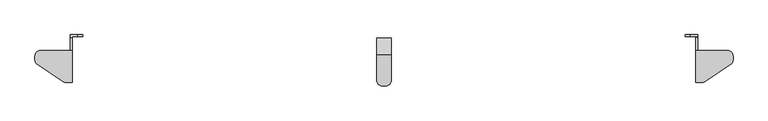
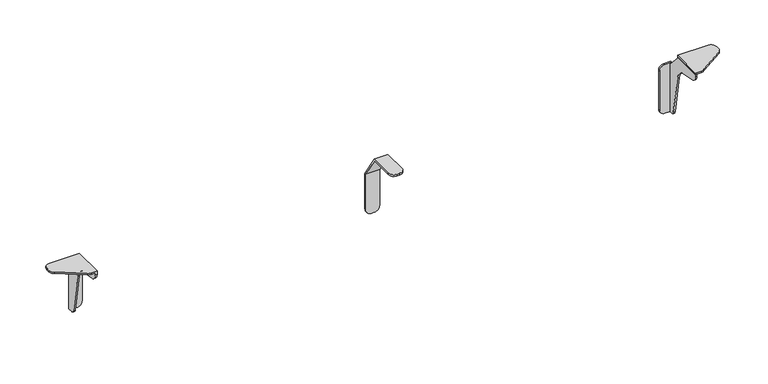
"""IFC4 building model written with IfcOpenShell, lengths in millimetres: furniture geometry."""

import ifcopenshell
import ifcopenshell.guid

model = None  # the IFC model being written
_history = None  # IfcOwnerHistory: only IFC2X3 demands one
_inside = {}  # id of a spatial element -> (the spatial element, [elements in it])
_under = {}  # id of a project, library or spatial element -> (it, [spatial elements below it])
_declared = {}  # id of a project -> (the project, [libraries it declares])
_typed = {}  # id of a type object -> (the type object, [elements of that type])
_made_of = {}  # id of a material, layer set ... -> (it, [elements and type objects made of it])


def new_model(schema):
    """Start an empty IFC model of exactly this schema.

    Asked for "IFC4X3", IfcOpenShell would pick the latest addendum, in which some entities
    have other attributes; the version numbers below select the first issue.
    IFC2X3 requires an IfcOwnerHistory on every rooted entity: one is made here for all.
    """
    global model, _history
    if schema == "IFC4X3":
        model = ifcopenshell.file(schema_version=(4, 3, 0, 0))
    else:
        model = ifcopenshell.file(schema=schema)
    _inside.clear()
    _under.clear()
    _declared.clear()
    _typed.clear()
    _made_of.clear()
    _history = None
    if model.schema == "IFC2X3":
        org = make("IfcOrganization", Name="unknown")
        user = make(
            "IfcPersonAndOrganization",
            ThePerson=make("IfcPerson", FamilyName="unknown"),
            TheOrganization=org,
        )
        app = make(
            "IfcApplication",
            ApplicationDeveloper=org,
            Version="unknown",
            ApplicationFullName="unknown",
            ApplicationIdentifier="unknown",
        )
        _history = make(
            "IfcOwnerHistory",
            OwningUser=user,
            OwningApplication=app,
            ChangeAction="ADDED",
            CreationDate=0,
        )
    return model


def make(cls, **values):
    """One entity of the class cls with the attributes given. An attribute that is None is left unset."""
    return model.create_entity(
        cls, **{name: value for name, value in values.items() if value is not None}
    )


def rooted(cls, **values):
    """An entity with a GlobalId (a new one), such as an element, a storey or a relation."""
    return make(cls, GlobalId=ifcopenshell.guid.new(), OwnerHistory=_history, **values)


def si_unit(unit_type, name, prefix=None):
    """IfcSIUnit, for example si_unit("LENGTHUNIT", "METRE", prefix="MILLI")."""
    return make("IfcSIUnit", UnitType=unit_type, Prefix=prefix, Name=name)


def assignment(units):
    """IfcUnitAssignment: the units of a project."""
    return None if units is None else make("IfcUnitAssignment", Units=units)


def point(xyz):
    """IfcCartesianPoint."""
    return None if xyz is None else make("IfcCartesianPoint", Coordinates=xyz)


def direction(xyz):
    """IfcDirection."""
    return None if xyz is None else make("IfcDirection", DirectionRatios=xyz)


def frame(location, z_axis=None, x_axis=None):
    """IfcAxis2Placement3D, a coordinate frame: its origin and axes. An axis left out is left unset."""
    return make(
        "IfcAxis2Placement3D",
        Location=point(location),
        Axis=direction(z_axis),
        RefDirection=direction(x_axis),
    )


def frame_2d(location, x_axis=None):
    """IfcAxis2Placement2D, a coordinate frame in the plane: its origin and x axis."""
    return make(
        "IfcAxis2Placement2D", Location=point(location), RefDirection=direction(x_axis)
    )


def origin():
    """The frame at (0, 0, 0) with its axes left unset."""
    return frame((0.0, 0.0, 0.0))


def place(relative_to, where):
    """IfcLocalPlacement: puts the frame where relative to a parent placement (None: the world)."""
    return make(
        "IfcLocalPlacement", PlacementRelTo=relative_to, RelativePlacement=where
    )


def context(
    kind, dimensions, precision=None, world=None, true_north=None, identifier=None
):
    """IfcGeometricRepresentationContext, for example the 3D "Model" context."""
    return make(
        "IfcGeometricRepresentationContext",
        ContextIdentifier=identifier,
        ContextType=kind,
        CoordinateSpaceDimension=dimensions,
        Precision=precision,
        WorldCoordinateSystem=world,
        TrueNorth=true_north,
    )


def project(units=None, contexts=None):
    """IfcProject with its units and contexts."""
    return rooted(
        "IfcProject",
        Name="project",
        RepresentationContexts=contexts,
        UnitsInContext=assignment(units),
    )


def spatial(cls, under=None, at=None, **own):
    """A site, building, storey or space (cls), placed at a placement, below another one or the project."""
    s = rooted(cls, ObjectPlacement=at, **own)
    if under is not None:
        _under.setdefault(under.id(), (under, []))[1].append(s)
    return s


def polyline(points):
    """IfcPolyline through the points."""
    return make("IfcPolyline", Points=[point(p) for p in points])


def circle_curve(where, radius):
    """IfcCircle in the frame where."""
    return make("IfcCircle", Position=where, Radius=radius)


def trimmed(basis, trim1, trim2, sense, master):
    """IfcTrimmedCurve: the piece of a basis curve between two trims."""
    return make(
        "IfcTrimmedCurve",
        BasisCurve=basis,
        Trim1=trim1,
        Trim2=trim2,
        SenseAgreement=sense,
        MasterRepresentation=master,
    )


def segment(curve, same_sense, transition):
    """IfcCompositeCurveSegment."""
    return make(
        "IfcCompositeCurveSegment",
        Transition=transition,
        SameSense=same_sense,
        ParentCurve=curve,
    )


def composite_curve(segments, self_intersect=None):
    """IfcCompositeCurve: segments joined end to end."""
    return make("IfcCompositeCurve", Segments=segments, SelfIntersect=self_intersect)


def outline(outer, holes=None, kind="AREA"):
    """IfcArbitraryClosedProfileDef: a profile drawn as a closed curve; with holes, ...WithVoids."""
    if holes is None:
        return make("IfcArbitraryClosedProfileDef", ProfileType=kind, OuterCurve=outer)
    return make(
        "IfcArbitraryProfileDefWithVoids",
        ProfileType=kind,
        OuterCurve=outer,
        InnerCurves=holes,
    )


def extrude(swept, where, along, depth):
    """IfcExtrudedAreaSolid: the profile swept, set in the frame where, extruded along a direction by depth."""
    return make(
        "IfcExtrudedAreaSolid",
        SweptArea=swept,
        Position=where,
        ExtrudedDirection=direction(along),
        Depth=depth,
    )


def shape(context_of_items, identifier, shape_type, items):
    """IfcShapeRepresentation: the items that make up one representation, for example the "Body"."""
    return make(
        "IfcShapeRepresentation",
        ContextOfItems=context_of_items,
        RepresentationIdentifier=identifier,
        RepresentationType=shape_type,
        Items=items,
    )


def source(mapping_origin, context_of_items, identifier, shape_type, items):
    """IfcRepresentationMap: a shape defined once, which mapped items show again and again."""
    return make(
        "IfcRepresentationMap",
        MappingOrigin=mapping_origin,
        MappedRepresentation=shape(context_of_items, identifier, shape_type, items),
    )


def transform(
    local_origin,
    x_axis=None,
    y_axis=None,
    z_axis=None,
    scale=None,
    scale2=None,
    scale3=None,
    uniform=True,
):
    """IfcCartesianTransformationOperator3D, or its non-uniform kind. x_axis, y_axis, z_axis: its Axis1, 2, 3."""
    if uniform:
        return make(
            "IfcCartesianTransformationOperator3D",
            Axis1=direction(x_axis),
            Axis2=direction(y_axis),
            LocalOrigin=point(local_origin),
            Scale=scale,
            Axis3=direction(z_axis),
        )
    return make(
        "IfcCartesianTransformationOperator3DnonUniform",
        Axis1=direction(x_axis),
        Axis2=direction(y_axis),
        LocalOrigin=point(local_origin),
        Scale=scale,
        Axis3=direction(z_axis),
        Scale2=scale2,
        Scale3=scale3,
    )


def mapped(mapping_source, mapping_target):
    """IfcMappedItem: shows the shape of a source again, moved by a transform."""
    return make(
        "IfcMappedItem", MappingSource=mapping_source, MappingTarget=mapping_target
    )


def made_of(thing, what):
    """Note that an element or type object is made of a material, layer set ...; save() writes the relation."""
    if what is not None:
        _made_of.setdefault(what.id(), (what, []))[1].append(thing)
    return thing


def element(
    cls,
    number,
    at=None,
    inside=None,
    cuts=None,
    type_object=None,
    material=None,
    context=None,
    identifier="Body",
    shape_type=None,
    held_by="IfcProductDefinitionShape",
    body=None,
    shapes=None,
    **own,
):
    """One element of the class cls, such as IfcWall. Its Tag is "e" and its number.

    at: its placement. inside: the storey or other place that contains it. cuts: it is an
    opening in that element (IfcRelVoidsElement). A single representation is given by context,
    identifier, shape_type and body (its items); several are given by shapes. held_by: the class
    of the entity that holds the representations. save() writes the other relations.
    """
    e = rooted(cls, Tag="e%d" % number, ObjectPlacement=at, **own)
    if body is not None:
        shapes = [shape(context, identifier, shape_type, body)]
    if shapes is not None:
        e.Representation = make(held_by, Representations=shapes)
    if inside is not None:
        _inside.setdefault(inside.id(), (inside, []))[1].append(e)
    if cuts is not None:
        rooted(
            "IfcRelVoidsElement", RelatingBuildingElement=cuts, RelatedOpeningElement=e
        )
    if type_object is not None:
        _typed.setdefault(type_object.id(), (type_object, []))[1].append(e)
    return made_of(e, material)


def aggregate(whole, parts):
    """IfcRelAggregates: a whole, such as a stair, and the parts it consists of."""
    return rooted("IfcRelAggregates", RelatingObject=whole, RelatedObjects=parts)


def save(model, path):
    """Write the relations noted so far, then the file.

    IfcRelAggregates (storeys below a building ...), IfcRelContainedInSpatialStructure (elements
    in a storey), IfcRelDefinesByType, IfcRelAssociatesMaterial and IfcRelDeclares: one each for
    every whole, place, type object, material and project.
    """
    for whole, parts in _under.values():
        aggregate(whole, parts)
    for where, things in _inside.values():
        rooted(
            "IfcRelContainedInSpatialStructure",
            RelatedElements=things,
            RelatingStructure=where,
        )
    for kind, things in _typed.values():
        rooted("IfcRelDefinesByType", RelatedObjects=things, RelatingType=kind)
    for what, things in _made_of.values():
        rooted("IfcRelAssociatesMaterial", RelatedObjects=things, RelatingMaterial=what)
    for by, libraries in _declared.values():
        rooted("IfcRelDeclares", RelatingContext=by, RelatedDefinitions=libraries)
    model.write(path)


def plane_surface(at):
    """IfcPlane: the flat surface through the origin of the frame at, square to its z axis."""
    return make("IfcPlane", Position=at)


def cylinder_surface(at, radius):
    """IfcCylindricalSurface: all points at the distance radius from the z axis of the frame at."""
    return make("IfcCylindricalSurface", Position=at, Radius=radius)


def revolved_surface(curve, axis_point, axis_direction):
    """IfcSurfaceOfRevolution: the curve turned about the line through axis_point along axis_direction."""
    return make(
        "IfcSurfaceOfRevolution",
        SweptCurve=make("IfcArbitraryOpenProfileDef", ProfileType="CURVE", Curve=curve),
        AxisPosition=make("IfcAxis1Placement", Location=point(axis_point), Axis=direction(axis_direction)),
    )


def advanced_brep(points, edges, surfaces, faces):
    """IfcAdvancedBrep: a solid bounded by faces that lie on surfaces and meet in shared edges.

    An edge is (start, end): straight between two places in points (the first is 0);
    or (start, end, curve); or (start, end, curve, False) where it runs against its curve.
    A face is (place in surfaces, loops), or (place, loops, False) where it looks against
    its surface's normal. A loop lists edges by number (the first is 1), with a minus sign
    where the edge is run from its end to its start. The first loop is the outer one.
    """
    corners = [point(p) for p in points]
    vertices = [make("IfcVertexPoint", VertexGeometry=c) for c in corners]
    made = []
    for start, end, *more in edges:
        made.append(
            make(
                "IfcEdgeCurve",
                EdgeStart=vertices[start],
                EdgeEnd=vertices[end],
                EdgeGeometry=more[0] if more else make("IfcPolyline", Points=[corners[start], corners[end]]),
                SameSense=more[1] if len(more) > 1 else True,
            )
        )
    hull = []
    for where, loops, *sense in faces:
        bounds = []
        for j, loop in enumerate(loops):
            ring = [make("IfcOrientedEdge", EdgeElement=made[abs(k) - 1], Orientation=k > 0) for k in loop]
            bounds.append(
                make(
                    "IfcFaceOuterBound" if j == 0 else "IfcFaceBound",
                    Bound=make("IfcEdgeLoop", EdgeList=ring),
                    Orientation=True,
                )
            )
        hull.append(make("IfcAdvancedFace", Bounds=bounds, FaceSurface=surfaces[where], SameSense=sense[0] if sense else True))
    return make("IfcAdvancedBrep", Outer=make("IfcClosedShell", CfsFaces=hull))


def furniture_7014662f(model_context):
    return source(origin(), model_context, "Body", "SolidModel", [
        advanced_brep(
        [(206.8829935, -4.3180001, 711.1999758), (150.402651, -4.3180001, 711.1999758), (140.5889931, -14.1316581, 711.1999758), (140.5889931, -20.7803664, 711.1999758), (145.2146694, -29.3891686, 711.1999758), (190.0644164, -59.0745687, 711.1999758), (196.3290217, -60.9600009, 711.1999758), (206.8829935, -60.9600009, 711.1999758), (196.3290217, -60.9600009, 708.1519787), (190.0644164, -59.0745687, 708.1519787), (145.2146694, -29.3891686, 708.1519787), (140.5889931, -20.7803664, 708.1519787), (140.5889931, -14.1316581, 708.1519787), (150.402651, -4.3180001, 708.1519787), (203.8349964, -4.3180001, 708.1519787), (203.8349964, -60.9600009, 708.1519787), (206.8829935, -4.3180001, 706.1199806), (203.8349964, -4.3180001, 706.1199806), (203.8349964, -60.9600009, 703.8265101), (206.8829935, -60.9600009, 703.8265101), (206.8829935, -50.2113329, 691.0167374), (206.8829935, -23.9076971, 686.378678), (206.8829935, -3.731792, 666.2027591), (206.8829935, 9.5046172, 591.1353553), (206.8829935, 15.6509087, 585.9780044), (206.8829935, 20.8280006, 585.9780044), (206.8829935, 20.8280006, 681.227968), (206.8829935, 18.7960002, 681.227968), (203.8349964, 18.7960002, 681.227968), (203.8349964, 24.0041421, 681.227968), (203.8349964, 24.0041421, 585.9780044), (203.8349964, 15.6509087, 585.9780044), (203.8349964, 9.5046172, 591.1353553), (203.8349964, -3.731792, 666.2027591), (203.8349964, -23.9076971, 686.378678), (203.8349964, -50.2113329, 691.0167374), (216.6619932, 24.0041421, 681.227968), (226.1869932, 24.0041421, 671.702968), (226.1869932, 24.0041421, 595.5030044), (216.6619932, 24.0041421, 585.9780044), (216.6619932, 20.8280006, 585.9780044), (226.1869932, 20.8280006, 595.5030044), (226.1869932, 20.8280006, 671.702968), (216.6619932, 20.8280006, 681.227968)],
        [
            (0, 1),
            (1, 2, circle_curve(frame((150.402651, -14.1316581, 711.1999758), z_axis=(0.0, 0.0, 1.0), x_axis=(-1.0, 0.0, 0.0)), 9.8136579)),
            (2, 3),
            (3, 4, circle_curve(frame((150.9127113, -20.7803664, 711.1999758), z_axis=(0.0, 0.0, 1.0), x_axis=(-1.0, 0.0, 0.0)), 10.3237182)),
            (4, 5),
            (5, 6, circle_curve(frame((196.3290217, -49.6097826, 711.1999758), z_axis=(0.0, 0.0, 1.0), x_axis=(-1.0, 0.0, 0.0)), 11.3502183)),
            (6, 7),
            (7, 0),
            (8, 9, circle_curve(frame((196.3290217, -49.6097826, 708.1519787), z_axis=(0.0, 0.0, -1.0), x_axis=(-1.0, 0.0, 0.0)), 11.3502183)),
            (9, 10),
            (10, 11, circle_curve(frame((150.9127113, -20.7803664, 708.1519787), z_axis=(0.0, 0.0, -1.0), x_axis=(-1.0, 0.0, 0.0)), 10.3237182)),
            (11, 12),
            (12, 13, circle_curve(frame((150.402651, -14.1316581, 708.1519787), z_axis=(0.0, 0.0, -1.0), x_axis=(-1.0, 0.0, 0.0)), 9.8136579)),
            (13, 14),
            (14, 15),
            (15, 8),
            (0, 16),
            (16, 17),
            (17, 14),
            (13, 1),
            (12, 2),
            (11, 3),
            (10, 4),
            (9, 5),
            (8, 6),
            (15, 18),
            (18, 19),
            (19, 7),
            (19, 20, circle_curve(frame((206.8829935, -47.9526152, 703.8265101), z_axis=(1.0, 0.0, 0.0), x_axis=(0.0, 1.0, 0.0)), 13.0073857)),
            (20, 21),
            (21, 22, circle_curve(frame((206.8829935, -28.2268544, 661.8836185), z_axis=(-1.0, 0.0, 0.0), x_axis=(0.0, 1.0, 0.0)), 24.8729383)),
            (22, 23),
            (23, 24, circle_curve(frame((206.8829935, 15.6509087, 592.2191124), z_axis=(1.0, 0.0, 0.0), x_axis=(0.0, 1.0, 0.0)), 6.241108)),
            (24, 25),
            (25, 26),
            (26, 27),
            (27, 16),
            (17, 28),
            (28, 29),
            (29, 30),
            (30, 31),
            (31, 32, circle_curve(frame((203.8349964, 15.6509087, 592.2191124), z_axis=(-1.0, 0.0, 0.0), x_axis=(0.0, 1.0, 0.0)), 6.241108)),
            (32, 33),
            (33, 34, circle_curve(frame((203.8349964, -28.2268544, 661.8836185), z_axis=(1.0, 0.0, 0.0), x_axis=(0.0, 1.0, 0.0)), 24.8729383)),
            (34, 35),
            (35, 18, circle_curve(frame((203.8349964, -47.9526152, 703.8265101), z_axis=(-1.0, 0.0, 0.0), x_axis=(0.0, 1.0, 0.0)), 13.0073857)),
            (29, 36),
            (36, 37, circle_curve(frame((216.6619932, 24.0041421, 671.702968), z_axis=(0.0, 1.0, 0.0), x_axis=(1.0, 0.0, 0.0)), 9.525)),
            (37, 38),
            (38, 39, circle_curve(frame((216.6619932, 24.0041421, 595.5030044), z_axis=(0.0, 1.0, 0.0), x_axis=(1.0, 0.0, 0.0)), 9.525)),
            (39, 30),
            (40, 41, circle_curve(frame((216.6619932, 20.8280006, 595.5030044), z_axis=(0.0, -1.0, 0.0), x_axis=(1.0, 0.0, 0.0)), 9.525)),
            (41, 42),
            (42, 43, circle_curve(frame((216.6619932, 20.8280006, 671.702968), z_axis=(0.0, -1.0, 0.0), x_axis=(1.0, 0.0, 0.0)), 9.525)),
            (43, 26),
            (25, 40),
            (40, 39),
            (38, 41),
            (37, 42),
            (36, 43),
            (35, 20),
            (34, 21),
            (33, 22),
            (32, 23),
            (31, 24),
            (28, 27),
        ],
        [
            plane_surface(frame((150.402651, -4.3180001, 711.1999758), z_axis=(0.0, 0.0, 1.0), x_axis=(-1.0, 0.0, 0.0))),
            plane_surface(frame((150.402651, -4.3180001, 708.1519787), z_axis=(0.0, 0.0, -1.0), x_axis=(1.0, 0.0, 0.0))),
            plane_surface(frame((206.8829935, -4.3180001, 711.1999758), z_axis=(0.0, 1.0, 0.0), x_axis=(0.0, 0.0, -1.0))),
            cylinder_surface(frame((150.402651, -14.1316581, 708.1519787), z_axis=(0.0, 0.0, 1.0), x_axis=(-1.0, 0.0, 0.0)), 9.8136579),
            plane_surface(frame((140.5889931, -14.1316581, 711.1999758), z_axis=(-1.0, 0.0, 0.0), x_axis=(0.0, 0.0, -1.0))),
            cylinder_surface(frame((150.9127113, -20.7803664, 708.1519787), z_axis=(0.0, 0.0, 1.0), x_axis=(-1.0, 0.0, 0.0)), 10.3237182),
            plane_surface(frame((145.2146694, -29.3891686, 711.1999758), z_axis=(-0.5519369866119054, -0.8338858212068182, 0.0), x_axis=(0.0, 0.0, -1.0))),
            cylinder_surface(frame((196.3290217, -49.6097826, 708.1519787), z_axis=(0.0, 0.0, 1.0), x_axis=(-1.0, 0.0, 0.0)), 11.3502183),
            plane_surface(frame((196.3290217, -60.9600009, 711.1999758), z_axis=(0.0, -1.0, 0.0), x_axis=(0.0, 0.0, -1.0))),
            plane_surface(frame((206.8829935, -60.9600009, 711.1999758), z_axis=(1.0, 0.0, 0.0), x_axis=(0.0, 0.0, -1.0))),
            plane_surface(frame((203.8349964, -60.9600009, 708.1519787), z_axis=(-1.0, 0.0, 0.0), x_axis=(0.0, 1.0, 0.0))),
            plane_surface(frame((206.8829935, 24.0041421, 585.9780044), z_axis=(0.0, 1.0, 0.0), x_axis=(-1.0, 0.0, 0.0))),
            plane_surface(frame((216.6619932, 20.8280006, 585.9780044), z_axis=(0.0, -1.0, 0.0), x_axis=(1.0, 0.0, 0.0))),
            cylinder_surface(frame((216.6619932, 24.0041421, 595.5030044), z_axis=(0.0, -1.0, 0.0), x_axis=(1.0, 0.0, 0.0)), 9.525),
            plane_surface(frame((226.1869932, 20.8280006, 595.5030044), z_axis=(1.0, 0.0, 0.0), x_axis=(0.0, 1.0, 0.0))),
            cylinder_surface(frame((216.6619932, 24.0041421, 671.702968), z_axis=(0.0, -1.0, 0.0), x_axis=(1.0, 0.0, 0.0)), 9.525),
            cylinder_surface(frame((203.8349964, -47.9526152, 703.8265101), z_axis=(1.0, 0.0, 0.0), x_axis=(0.0, 1.0, 0.0)), 13.0073857),
            plane_surface(frame((206.8829935, -50.2113329, 691.0167374), z_axis=(0.0, -0.17364885742427638, -0.9848076331524057), x_axis=(-1.0, 0.0, 0.0))),
            revolved_surface(polyline([(203.8349964, -3.3539160999999993, 661.8836185), (206.8829935, -3.3539160999999993, 661.8836185)]), (203.8349964, -28.2268544, 661.8836185), (-1.0, 0.0, 0.0)),
            plane_surface(frame((206.8829935, -3.731792, 666.2027591), z_axis=(0.0, -0.9848077519646093, -0.17364818360815795), x_axis=(-1.0, 0.0, 0.0))),
            cylinder_surface(frame((203.8349964, 15.6509087, 592.2191124), z_axis=(1.0, 0.0, 0.0), x_axis=(0.0, 1.0, 0.0)), 6.241108),
            plane_surface(frame((206.8829935, 15.6509087, 585.9780044), z_axis=(0.0, 0.0, -1.0), x_axis=(-1.0, 0.0, 0.0))),
            plane_surface(frame((206.8829935, 24.0041421, 681.227968), z_axis=(0.0, 0.0, 1.0), x_axis=(-1.0, 0.0, 0.0))),
            plane_surface(frame((206.8829935, 18.7960002, 681.227968), z_axis=(0.0, 0.7327936577078579, 0.6804509205101709), x_axis=(-1.0, 0.0, 0.0))),
        ],
        [
            (0, [[1, 2, 3, 4, 5, 6, 7, 8]]),
            (1, [[9, 10, 11, 12, 13, 14, 15, 16]]),
            (2, [[-1, 17, 18, 19, -14, 20]]),
            (3, [[-2, -20, -13, 21]]),
            (4, [[-3, -21, -12, 22]]),
            (5, [[-4, -22, -11, 23]]),
            (6, [[-5, -23, -10, 24]]),
            (7, [[-6, -24, -9, 25]]),
            (8, [[-7, -25, -16, 26, 27, 28]]),
            (9, [[-8, -28, 29, 30, 31, 32, 33, 34, 35, 36, 37, -17]]),
            (10, [[-19, 38, 39, 40, 41, 42, 43, 44, 45, 46, -26, -15]]),
            (11, [[-40, 47, 48, 49, 50, 51]]),
            (12, [[52, 53, 54, 55, -35, 56]]),
            (13, [[-52, 57, -50, 58]]),
            (14, [[-53, -58, -49, 59]]),
            (15, [[-54, -59, -48, 60]]),
            (16, [[-46, 61, -29, -27]]),
            (17, [[-45, 62, -30, -61]]),
            (18, [[-44, 63, -31, -62]]),
            (19, [[-43, 64, -32, -63]]),
            (20, [[-42, 65, -33, -64]]),
            (21, [[-51, -57, -56, -34, -65, -41]]),
            (22, [[-47, -39, 66, -36, -55, -60]]),
            (23, [[-38, -18, -37, -66]]),
        ],
    ),
        advanced_brep(
        [(1317.1169884, -4.3180001, 711.1999758), (1317.1169884, -60.9600009, 711.1999758), (1327.6709601, -60.9600009, 711.1999758), (1333.9355654, -59.0745687, 711.1999758), (1378.7853125, -29.3891686, 711.1999758), (1383.4109887, -20.7803664, 711.1999758), (1383.4109887, -14.1316581, 711.1999758), (1373.5973308, -4.3180001, 711.1999758), (1317.1169884, -4.3180001, 708.1519787), (1373.5973308, -4.3180001, 708.1519787), (1383.4109887, -14.1316581, 708.1519787), (1383.4109887, -20.7803664, 708.1519787), (1378.7853125, -29.3891686, 708.1519787), (1333.9355654, -59.0745687, 708.1519787), (1327.6709601, -60.9600009, 708.1519787), (1317.1169884, -60.9600009, 708.1519787)],
        [
            (0, 1),
            (1, 2),
            (2, 3, circle_curve(frame((1327.6709601, -49.6097826, 711.1999758), z_axis=(0.0, 0.0, 1.0), x_axis=(-1.0, 0.0, 0.0)), 11.3502183)),
            (3, 4),
            (4, 5, circle_curve(frame((1373.0872706, -20.7803664, 711.1999758), z_axis=(0.0, 0.0, 1.0), x_axis=(-1.0, 0.0, 0.0)), 10.3237182)),
            (5, 6),
            (6, 7, circle_curve(frame((1373.5973308, -14.1316581, 711.1999758), z_axis=(0.0, 0.0, 1.0), x_axis=(-1.0, 0.0, 0.0)), 9.8136579)),
            (7, 0),
            (8, 9),
            (9, 10, circle_curve(frame((1373.5973308, -14.1316581, 708.1519787), z_axis=(0.0, 0.0, -1.0), x_axis=(-1.0, 0.0, 0.0)), 9.8136579)),
            (10, 11),
            (11, 12, circle_curve(frame((1373.0872706, -20.7803664, 708.1519787), z_axis=(0.0, 0.0, -1.0), x_axis=(-1.0, 0.0, 0.0)), 10.3237182)),
            (12, 13),
            (13, 14, circle_curve(frame((1327.6709601, -49.6097826, 708.1519787), z_axis=(0.0, 0.0, -1.0), x_axis=(-1.0, 0.0, 0.0)), 11.3502183)),
            (14, 15),
            (15, 8),
            (0, 8),
            (15, 1),
            (14, 2),
            (13, 3),
            (12, 4),
            (11, 5),
            (10, 6),
            (9, 7),
        ],
        [
            plane_surface(frame((150.402651, -4.3180001, 711.1999758), z_axis=(0.0, 0.0, 1.0), x_axis=(-1.0, 0.0, 0.0))),
            plane_surface(frame((150.402651, -4.3180001, 708.1519787), z_axis=(0.0, 0.0, -1.0), x_axis=(1.0, 0.0, 0.0))),
            plane_surface(frame((1317.1169884, -4.3180001, 711.1999758), z_axis=(-1.0, 0.0, 0.0), x_axis=(0.0, 0.0, -1.0))),
            plane_surface(frame((1317.1169884, -60.9600009, 711.1999758), z_axis=(0.0, -1.0, 0.0), x_axis=(0.0, 0.0, -1.0))),
            cylinder_surface(frame((1327.6709601, -49.6097826, 629.5388266), z_axis=(0.0, 0.0, 1.0), x_axis=(-1.0, 0.0, 0.0)), 11.3502183),
            plane_surface(frame((1333.9355654, -59.0745687, 711.1999758), z_axis=(0.5519369866119054, -0.8338858212068181, 0.0), x_axis=(0.0, 0.0, -1.0))),
            cylinder_surface(frame((1373.0872706, -20.7803664, 629.5388266), z_axis=(0.0, 0.0, 1.0), x_axis=(-1.0, 0.0, 0.0)), 10.3237182),
            plane_surface(frame((1383.4109887, -20.7803664, 711.1999758), z_axis=(1.0, 0.0, 0.0), x_axis=(0.0, 0.0, -1.0))),
            cylinder_surface(frame((1373.5973308, -14.1316581, 629.5388266), z_axis=(0.0, 0.0, 1.0), x_axis=(-1.0, 0.0, 0.0)), 9.8136579),
            plane_surface(frame((1373.5973308, -4.3180001, 711.1999758), z_axis=(0.0, 1.0, 0.0), x_axis=(0.0, 0.0, -1.0))),
        ],
        [
            (0, [[1, 2, 3, 4, 5, 6, 7, 8]]),
            (1, [[9, 10, 11, 12, 13, 14, 15, 16]]),
            (2, [[-1, 17, -16, 18]]),
            (3, [[-2, -18, -15, 19]]),
            (4, [[-3, -19, -14, 20]]),
            (5, [[-4, -20, -13, 21]]),
            (6, [[-5, -21, -12, 22]]),
            (7, [[-6, -22, -11, 23]]),
            (8, [[-7, -23, -10, 24]]),
            (9, [[-8, -24, -9, -17]]),
        ],
    ),
        advanced_brep(
        [(1320.1655941, 24.0041421, 585.9780044), (1307.3385972, 24.0041421, 585.9780044), (1297.8135972, 24.0041421, 595.5030044), (1297.8135972, 24.0041421, 671.702968), (1307.3385972, 24.0041421, 681.227968), (1320.1655941, 24.0041421, 681.227968), (1320.1655941, 20.8280006, 585.9780044), (1320.1655941, 20.8280006, 681.227968), (1307.3385972, 20.8280006, 681.227968), (1297.8135972, 20.8280006, 671.702968), (1297.8135972, 20.8280006, 595.5030044), (1307.3385972, 20.8280006, 585.9780044)],
        [
            (0, 1),
            (1, 2, circle_curve(frame((1307.3385972, 24.0041421, 595.5030044), z_axis=(0.0, 1.0, 0.0), x_axis=(1.0, 0.0, 0.0)), 9.525)),
            (2, 3),
            (3, 4, circle_curve(frame((1307.3385972, 24.0041421, 671.702968), z_axis=(0.0, 1.0, 0.0), x_axis=(1.0, 0.0, 0.0)), 9.525)),
            (4, 5),
            (5, 0),
            (6, 7),
            (7, 8),
            (8, 9, circle_curve(frame((1307.3385972, 20.8280006, 671.702968), z_axis=(0.0, -1.0, 0.0), x_axis=(1.0, 0.0, 0.0)), 9.525)),
            (9, 10),
            (10, 11, circle_curve(frame((1307.3385972, 20.8280006, 595.5030044), z_axis=(0.0, -1.0, 0.0), x_axis=(1.0, 0.0, 0.0)), 9.525)),
            (11, 6),
            (6, 0),
            (5, 7),
            (4, 8),
            (3, 9),
            (2, 10),
            (1, 11),
        ],
        [
            plane_surface(frame((206.8829935, 24.0041421, 585.9780044), z_axis=(0.0, 1.0, 0.0), x_axis=(-1.0, 0.0, 0.0))),
            plane_surface(frame((216.6619932, 20.8280006, 585.9780044), z_axis=(0.0, -1.0, 0.0), x_axis=(1.0, 0.0, 0.0))),
            plane_surface(frame((1320.1655941, 20.8280006, 585.9780044), z_axis=(1.0, 0.0, 0.0), x_axis=(0.0, 1.0, 0.0))),
            plane_surface(frame((1320.1655941, 20.8280006, 681.227968), z_axis=(0.0, 0.0, 1.0), x_axis=(0.0, 1.0, 0.0))),
            cylinder_surface(frame((1307.3385972, 0.0, 671.702968), z_axis=(0.0, -1.0, 0.0), x_axis=(1.0, 0.0, 0.0)), 9.525),
            plane_surface(frame((1297.8135972, 20.8280006, 671.702968), z_axis=(-1.0, 0.0, 0.0), x_axis=(0.0, 1.0, 0.0))),
            cylinder_surface(frame((1307.3385972, 0.0, 595.5030044), z_axis=(0.0, -1.0, 0.0), x_axis=(1.0, 0.0, 0.0)), 9.525),
            plane_surface(frame((1307.3385972, 20.8280006, 585.9780044), z_axis=(0.0, 0.0, -1.0), x_axis=(0.0, 1.0, 0.0))),
        ],
        [
            (0, [[1, 2, 3, 4, 5, 6]]),
            (1, [[7, 8, 9, 10, 11, 12]]),
            (2, [[-7, 13, -6, 14]]),
            (3, [[-8, -14, -5, 15]]),
            (4, [[-9, -15, -4, 16]]),
            (5, [[-10, -16, -3, 17]]),
            (6, [[-11, -17, -2, 18]]),
            (7, [[-12, -18, -1, -13]]),
        ],
    ),
        advanced_brep(
        [(749.2997169, -57.9120008, 711.1999758), (749.2997169, -57.9120008, 708.1519787), (758.8247169, -67.4370008, 708.1519787), (758.8247169, -67.4370008, 711.1999758), (774.6996927, -57.9120008, 708.1519787), (774.6996927, -57.9120008, 711.1999758), (765.1746927, -67.4370008, 711.1999758), (765.1746927, -67.4370008, 708.1519787), (749.2997169, 14.4780006, 594.5378016), (749.2997169, 17.6541421, 594.5378016), (758.8247169, 17.6541421, 585.0128016), (758.8247169, 14.4780006, 585.0128016), (774.6996927, 17.6541421, 594.5378016), (774.6996927, 14.4780006, 594.5378016), (765.1746927, 14.4780006, 585.0128016), (765.1746927, 17.6541421, 585.0128016), (749.2997169, -12.1411998, 711.1999758), (749.2997169, 17.6541421, 665.1039487), (749.2997169, 14.4780006, 665.3021959), (749.2997169, -13.2190484, 708.1519787), (774.6996927, -13.2190484, 708.1519787), (774.6996927, 14.4780006, 665.3021959), (774.6996927, 17.6541421, 665.1039487), (774.6996927, -12.1411998, 711.1999758)],
        [
            (0, 1),
            (1, 2, circle_curve(frame((758.8247169, -57.9120008, 708.1519787), z_axis=(0.0, 0.0, 1.0), x_axis=(0.0, 1.0, 0.0)), 9.525)),
            (2, 3),
            (3, 0, circle_curve(frame((758.8247169, -57.9120008, 711.1999758), z_axis=(0.0, 0.0, -1.0), x_axis=(0.0, 1.0, 0.0)), 9.525)),
            (4, 5),
            (5, 6, circle_curve(frame((765.1746927, -57.9120008, 711.1999758), z_axis=(0.0, 0.0, -1.0), x_axis=(0.0, 1.0, 0.0)), 9.525)),
            (6, 7),
            (7, 4, circle_curve(frame((765.1746927, -57.9120008, 708.1519787), z_axis=(0.0, 0.0, 1.0), x_axis=(0.0, 1.0, 0.0)), 9.525)),
            (8, 9),
            (9, 10, circle_curve(frame((758.8247169, 17.6541421, 594.5378016), z_axis=(0.0, -1.0, 0.0), x_axis=(-1.0, 0.0, 0.0)), 9.525)),
            (10, 11),
            (11, 8, circle_curve(frame((758.8247169, 14.4780006, 594.5378016), z_axis=(0.0, 1.0, 0.0), x_axis=(-1.0, 0.0, 0.0)), 9.525)),
            (12, 13),
            (13, 14, circle_curve(frame((765.1746927, 14.4780006, 594.5378016), z_axis=(0.0, 1.0, 0.0), x_axis=(-1.0, 0.0, 0.0)), 9.525)),
            (14, 15),
            (15, 12, circle_curve(frame((765.1746927, 17.6541421, 594.5378016), z_axis=(0.0, -1.0, 0.0), x_axis=(-1.0, 0.0, 0.0)), 9.525)),
            (16, 17),
            (17, 9),
            (8, 18),
            (18, 19),
            (19, 1),
            (0, 16),
            (20, 21),
            (21, 13),
            (12, 22),
            (22, 23),
            (23, 5),
            (4, 20),
            (19, 20),
            (7, 2),
            (23, 16),
            (3, 6),
            (22, 17),
            (15, 10),
            (21, 18),
            (11, 14),
        ],
        [
            cylinder_surface(frame((758.8247169, -57.9120008, 711.1999758), z_axis=(0.0, 0.0, 1.0), x_axis=(0.0, 1.0, 0.0)), 9.525),
            cylinder_surface(frame((765.1746927, -57.9120008, 711.1999758), z_axis=(0.0, 0.0, 1.0), x_axis=(0.0, 1.0, 0.0)), 9.525),
            cylinder_surface(frame((758.8247169, 14.4780006, 594.5378016), z_axis=(0.0, -1.0, 0.0), x_axis=(-1.0, 0.0, 0.0)), 9.525),
            cylinder_surface(frame((765.1746927, 14.4780006, 594.5378016), z_axis=(0.0, -1.0, 0.0), x_axis=(-1.0, 0.0, 0.0)), 9.525),
            plane_surface(frame((749.2997169, -6.35, 629.5388266), z_axis=(-1.0, 0.0, 0.0), x_axis=(0.0, 0.0, 1.0))),
            plane_surface(frame((774.6996927, -6.35, 629.5388266), z_axis=(1.0, 0.0, 0.0), x_axis=(0.0, 0.0, 1.0))),
            plane_surface(frame((749.2997169, -13.2190484, 708.1519787), z_axis=(0.0, 0.0, -1.0), x_axis=(1.0, 0.0, 0.0))),
            plane_surface(frame((749.2997169, -67.4370008, 711.1999758), z_axis=(0.0, 0.0, 1.0), x_axis=(1.0, 0.0, 0.0))),
            plane_surface(frame((749.2997169, -12.1411998, 711.1999758), z_axis=(0.0, 0.8398318088964818, 0.5428466936121683), x_axis=(1.0, 0.0, 0.0))),
            plane_surface(frame((749.2997169, 17.6541421, 665.1039487), z_axis=(0.0, 1.0, 0.0), x_axis=(1.0, 0.0, 0.0))),
            plane_surface(frame((749.2997169, 14.4780006, 585.0128016), z_axis=(0.0, -1.0, 0.0), x_axis=(1.0, 0.0, 0.0))),
            plane_surface(frame((749.2997169, 14.4780006, 665.3021959), z_axis=(0.0, -0.8398318106362306, -0.5428466909206233), x_axis=(1.0, 0.0, 0.0))),
            plane_surface(frame((749.2997169, -67.4370008, 708.1519787), z_axis=(0.0, -1.0, 0.0), x_axis=(1.0, 0.0, 0.0))),
            plane_surface(frame((749.2997169, 17.6541421, 585.0128016), z_axis=(0.0, 0.0, -1.0), x_axis=(1.0, 0.0, 0.0))),
        ],
        [
            (0, [[1, 2, 3, 4]]),
            (1, [[5, 6, 7, 8]]),
            (2, [[9, 10, 11, 12]]),
            (3, [[13, 14, 15, 16]]),
            (4, [[17, 18, -9, 19, 20, 21, -1, 22]]),
            (5, [[23, 24, -13, 25, 26, 27, -5, 28]]),
            (6, [[29, -28, -8, 30, -2, -21]]),
            (7, [[31, -22, -4, 32, -6, -27]]),
            (8, [[-17, -31, -26, 33]]),
            (9, [[-33, -25, -16, 34, -10, -18]]),
            (10, [[35, -19, -12, 36, -14, -24]]),
            (11, [[-20, -35, -23, -29]]),
            (12, [[-32, -3, -30, -7]]),
            (13, [[-36, -11, -34, -15]]),
        ],
    ),
        extrude(outline(composite_curve([segment(polyline([(-23.9076971, 686.378678), (-50.2113329, 691.0167374)]), True, "CONTINUOUS"), segment(trimmed(circle_curve(frame_2d((-47.9526152, 703.8265101)), 13.0073857), [point((-50.2113329, 691.0167374))], [point((-60.9600009, 703.8265101))], False, "CARTESIAN"), True, "CONTINUOUS"), segment(polyline([(-60.9600009, 703.8265101), (-60.9600009, 708.1519787), (-4.3180001, 708.1519787), (-4.3180001, 706.1199806), (18.7960002, 681.227968), (24.0041421, 681.227968), (24.0041421, 585.9780044), (15.6509087, 585.9780044)]), True, "CONTINUOUS"), segment(trimmed(circle_curve(frame_2d((15.6509087, 592.2191124)), 6.241108), [point((15.6509087, 585.9780044))], [point((9.5046172, 591.1353553))], False, "CARTESIAN"), True, "CONTINUOUS"), segment(polyline([(9.5046172, 591.1353553), (-3.731792, 666.2027591)]), True, "CONTINUOUS"), segment(trimmed(circle_curve(frame_2d((-28.2268544, 661.8836185)), 24.8729383), [point((-3.731792, 666.2027591))], [point((-23.9076971, 686.378678))], True, "CARTESIAN"), True, "CONTINUOUS")], self_intersect=False)), frame((1317.1169884, 0.0, 0.0), z_axis=(1.0, 0.0, 0.0), x_axis=(0.0, 1.0, 0.0)), (0.0, 0.0, 1.0), 3.0479971),
    ])


if __name__ == "__main__":
    model = new_model("IFC4")
    model_context = context("Model", 3, world=origin())
    ifc_project = project(units=[si_unit("LENGTHUNIT", "METRE", prefix="MILLI")], contexts=[model_context])
    site = spatial("IfcSite", under=ifc_project)
    building = spatial("IfcBuilding", under=site)
    placement = place(None, origin())
    furniture_shape = furniture_7014662f(model_context)
    element("IfcFurniture", 1, at=placement, inside=building, context=model_context, shape_type="MappedRepresentation", body=[
        mapped(furniture_shape, transform((0.0, 0.0, 0.0), x_axis=(1.0, 0.0, 0.0), y_axis=(0.0, 1.0, 0.0), z_axis=(0.0, 0.0, 1.0))),
    ])
    save(model, "model.ifc")
